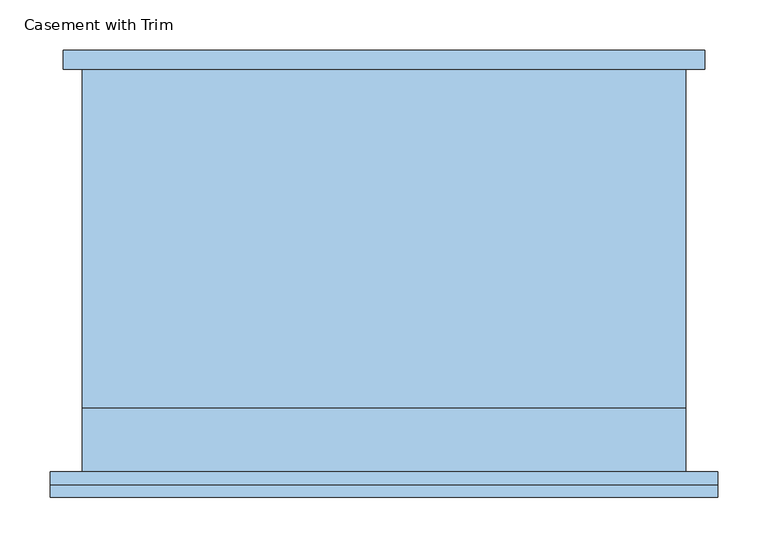
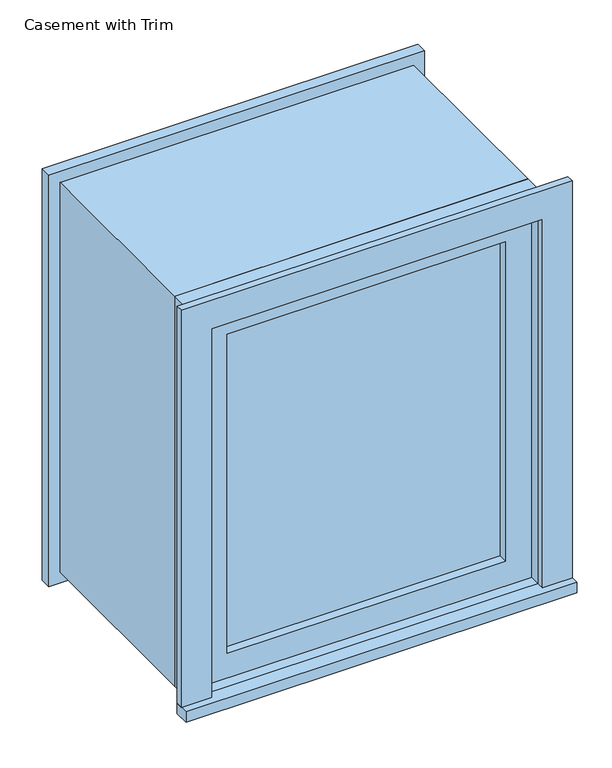
"""IFC4 building model written with IfcOpenShell, lengths in millimetres: window geometry, Casement with Trim."""

from ifc_helpers import new_model, si_unit, frame, origin, place, context, project, spatial, polyline, outline, extrude, source, transform, mapped, element, save


def casement_with_trim_40b72bd3(model_context):
    return source(origin(), model_context, "Body", "SweptSolid", [
        extrude(outline(polyline([(-331.75, -225.4), (-331.75, -200.0), (331.75, -200.0), (331.75, -225.4), (-331.75, -225.4)])), frame((0.0, 0.0, 914.4), z_axis=(0.0, 0.0, 1.0), x_axis=(1.0, 0.0, 0.0)), (0.0, 0.0, 1.0), 19.05),
        extrude(outline(polyline([(1595.35, -280.95), (1595.35, 280.95), (933.45, 280.95), (933.45, 331.75), (1646.15, 331.75), (1646.15, -331.75), (933.45, -331.75), (933.45, -280.95), (1595.35, -280.95)])), frame((0.0, -212.7, 0.0), z_axis=(0.0, 1.0, 0.0), x_axis=(0.0, 0.0, 1.0)), (0.0, 0.0, 1.0), 12.7),
        extrude(outline(polyline([(1633.45, 319.05), (1633.45, -319.05), (895.35, -319.05), (895.35, 319.05), (1633.45, 319.05)]), holes=[polyline([(1582.65, 268.25), (946.15, 268.25), (946.15, -268.25), (1582.65, -268.25), (1582.65, 268.25)])]), frame((0.0, 200.0, 0.0), z_axis=(0.0, 1.0, 0.0), x_axis=(0.0, 0.0, 1.0)), (0.0, 0.0, 1.0), 19.05),
        extrude(outline(polyline([(236.5, -152.375), (236.5, -165.075), (-236.5, -165.075), (-236.5, -152.375), (236.5, -152.375)])), frame((0.0, 0.0, 977.9), z_axis=(0.0, 0.0, 1.0), x_axis=(1.0, 0.0, 0.0)), (0.0, 0.0, 1.0), 573.0),
        extrude(outline(polyline([(1595.35, -280.95), (933.45, -280.95), (933.45, 280.95), (1595.35, 280.95), (1595.35, -280.95)]), holes=[polyline([(1550.9, -236.5), (1550.9, 236.5), (977.9, 236.5), (977.9, -236.5), (1550.9, -236.5)])]), frame((0.0, -180.95, 0.0), z_axis=(0.0, 1.0, 0.0), x_axis=(0.0, 0.0, 1.0)), (0.0, 0.0, 1.0), 44.45),
        extrude(outline(polyline([(1614.4, -300.0), (914.4, -300.0), (914.4, 300.0), (1614.4, 300.0), (1614.4, -300.0)]), holes=[polyline([(1582.65, -268.25), (1582.65, 268.25), (946.15, 268.25), (946.15, -268.25), (1582.65, -268.25)])]), frame((0.0, -136.5, 0.0), z_axis=(0.0, 1.0, 0.0), x_axis=(0.0, 0.0, 1.0)), (0.0, 0.0, 1.0), 336.5),
        extrude(outline(polyline([(1614.4, 300.0), (1614.4, -300.0), (914.4, -300.0), (914.4, 300.0), (1614.4, 300.0)]), holes=[polyline([(1595.35, 280.95), (933.45, 280.95), (933.45, -280.95), (1595.35, -280.95), (1595.35, 280.95)])]), frame((0.0, -200.0, 0.0), z_axis=(0.0, 1.0, 0.0), x_axis=(0.0, 0.0, 1.0)), (0.0, 0.0, 1.0), 63.5),
    ])


if __name__ == "__main__":
    model = new_model("IFC4")
    model_context = context("Model", 3, world=origin())
    ifc_project = project(units=[si_unit("LENGTHUNIT", "METRE", prefix="MILLI")], contexts=[model_context])
    site = spatial("IfcSite", under=ifc_project)
    building = spatial("IfcBuilding", under=site)
    placement = place(None, origin())
    casement_with_trim_shape = casement_with_trim_40b72bd3(model_context)
    element("IfcWindow", 1, ObjectType="Casement with Trim", at=placement, inside=building, context=model_context, shape_type="MappedRepresentation", body=[
        mapped(casement_with_trim_shape, transform((0.0, 0.0, 0.0), x_axis=(1.0, 0.0, 0.0), y_axis=(0.0, 1.0, 0.0), z_axis=(0.0, 0.0, 1.0))),
    ])
    save(model, "model.ifc")
